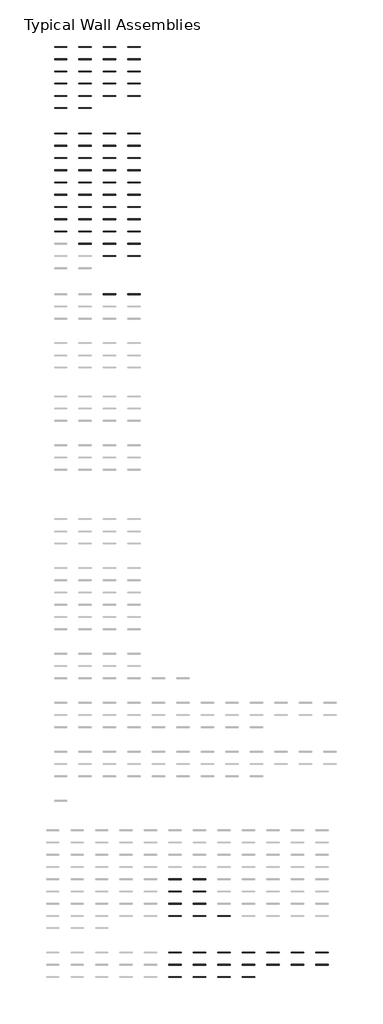
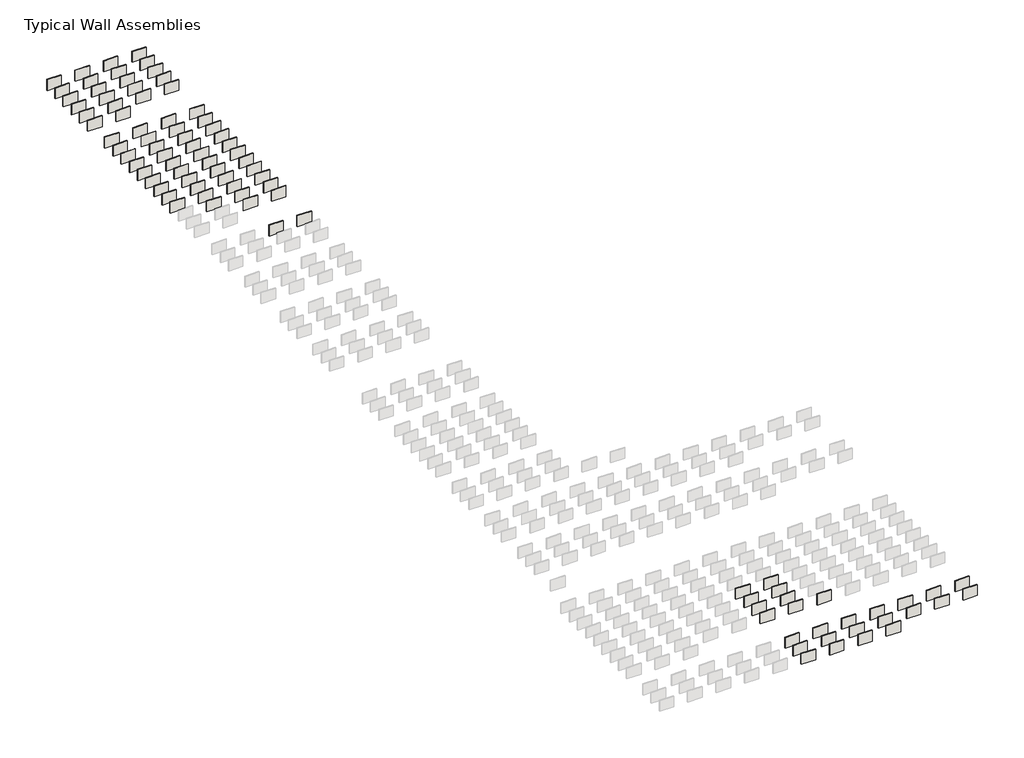
# One storey, part 3 of 8: 92 walls.
"""IFC4 building model written with IfcOpenShell, lengths in millimetres."""

from ifc_helpers import new_model, si_unit, frame, origin, place, context, project, spatial, polyline, outline, extrude, element, save

model = new_model("IFC4")

# Units and contexts
model_context = context("Model", 3, world=origin())
ifc_project = project(units=[si_unit("LENGTHUNIT", "METRE", prefix="MILLI")], contexts=[model_context])

# Site, building, storey
site = spatial("IfcSite", under=ifc_project)
building = spatial("IfcBuilding", under=site)
storey = spatial("IfcBuildingStorey", under=building, Name="Typical Wall Assemblies", Elevation=6096.0)

# Walls
placement = place(None, origin())
element("IfcWall", 1, at=placement, inside=storey, context=model_context, shape_type="SweptSolid", body=[
    extrude(outline(polyline([(-21027.125069, -1164.3091546), (-24075.125069, -1164.3091546), (-24075.125069, -986.5218505), (-21027.125069, -986.5218505), (-21027.125069, -1164.3091546)])), frame((0.0, 0.0, 6096.0), z_axis=(0.0, 0.0, 1.0), x_axis=(1.0, 0.0, 0.0)), (0.0, 0.0, 1.0), 2438.4),
])
element("IfcWall", 2, at=placement, inside=storey, context=model_context, shape_type="SweptSolid", body=[
    extrude(outline(polyline([(-21027.125069, -4212.3091546), (-24075.125069, -4212.3091546), (-24075.125069, -4034.5218505), (-21027.125069, -4034.5218505), (-21027.125069, -4212.3091546)])), frame((0.0, 0.0, 6096.0), z_axis=(0.0, 0.0, 1.0), x_axis=(1.0, 0.0, 0.0)), (0.0, 0.0, 1.0), 2438.4),
])
element("IfcWall", 3, at=placement, inside=storey, context=model_context, shape_type="SweptSolid", body=[
    extrude(outline(polyline([(-21027.125069, -7260.3091546), (-24075.125069, -7260.3091546), (-24075.125069, -7082.5218505), (-21027.125069, -7082.5218505), (-21027.125069, -7260.3091546)])), frame((0.0, 0.0, 6096.0), z_axis=(0.0, 0.0, 1.0), x_axis=(1.0, 0.0, 0.0)), (0.0, 0.0, 1.0), 2438.4),
])
element("IfcWall", 4, at=placement, inside=storey, context=model_context, shape_type="SweptSolid", body=[
    extrude(outline(polyline([(-14931.125069, -1164.3091546), (-17979.125069, -1164.3091546), (-17979.125069, -986.5218505), (-14931.125069, -986.5218505), (-14931.125069, -1164.3091546)])), frame((0.0, 0.0, 6096.0), z_axis=(0.0, 0.0, 1.0), x_axis=(1.0, 0.0, 0.0)), (0.0, 0.0, 1.0), 2438.4),
])
element("IfcWall", 5, at=placement, inside=storey, context=model_context, shape_type="SweptSolid", body=[
    extrude(outline(polyline([(-8835.125069, -1164.3091546), (-11883.125069, -1164.3091546), (-11883.125069, -986.5218505), (-8835.125069, -986.5218505), (-8835.125069, -1164.3091546)])), frame((0.0, 0.0, 6096.0), z_axis=(0.0, 0.0, 1.0), x_axis=(1.0, 0.0, 0.0)), (0.0, 0.0, 1.0), 2438.4),
])
element("IfcWall", 6, at=placement, inside=storey, context=model_context, shape_type="SweptSolid", body=[
    extrude(outline(polyline([(-2739.125069, -1164.3091546), (-5787.125069, -1164.3091546), (-5787.125069, -986.5218505), (-2739.125069, -986.5218505), (-2739.125069, -1164.3091546)])), frame((0.0, 0.0, 6096.0), z_axis=(0.0, 0.0, 1.0), x_axis=(1.0, 0.0, 0.0)), (0.0, 0.0, 1.0), 2438.4),
])
element("IfcWall", 7, at=placement, inside=storey, context=model_context, shape_type="SweptSolid", body=[
    extrude(outline(polyline([(-14931.125069, -4212.3091546), (-17979.125069, -4212.3091546), (-17979.125069, -4034.5218505), (-14931.125069, -4034.5218505), (-14931.125069, -4212.3091546)])), frame((0.0, 0.0, 6096.0), z_axis=(0.0, 0.0, 1.0), x_axis=(1.0, 0.0, 0.0)), (0.0, 0.0, 1.0), 2438.4),
])
element("IfcWall", 8, at=placement, inside=storey, context=model_context, shape_type="SweptSolid", body=[
    extrude(outline(polyline([(-8835.125069, -4212.3091546), (-11883.125069, -4212.3091546), (-11883.125069, -4034.5218505), (-8835.125069, -4034.5218505), (-8835.125069, -4212.3091546)])), frame((0.0, 0.0, 6096.0), z_axis=(0.0, 0.0, 1.0), x_axis=(1.0, 0.0, 0.0)), (0.0, 0.0, 1.0), 2438.4),
])
element("IfcWall", 9, at=placement, inside=storey, context=model_context, shape_type="SweptSolid", body=[
    extrude(outline(polyline([(-2739.125069, -4212.3091546), (-5787.125069, -4212.3091546), (-5787.125069, -4034.5218505), (-2739.125069, -4034.5218505), (-2739.125069, -4212.3091546)])), frame((0.0, 0.0, 6096.0), z_axis=(0.0, 0.0, 1.0), x_axis=(1.0, 0.0, 0.0)), (0.0, 0.0, 1.0), 2438.4),
])
element("IfcWall", 10, at=placement, inside=storey, context=model_context, shape_type="SweptSolid", body=[
    extrude(outline(polyline([(-14931.125069, -7260.3091546), (-17979.125069, -7260.3091546), (-17979.125069, -7082.5218505), (-14931.125069, -7082.5218505), (-14931.125069, -7260.3091546)])), frame((0.0, 0.0, 6096.0), z_axis=(0.0, 0.0, 1.0), x_axis=(1.0, 0.0, 0.0)), (0.0, 0.0, 1.0), 2438.4),
])
element("IfcWall", 11, at=placement, inside=storey, context=model_context, shape_type="SweptSolid", body=[
    extrude(outline(polyline([(-8835.125069, -7260.3091546), (-11883.125069, -7260.3091546), (-11883.125069, -7082.5218505), (-8835.125069, -7082.5218505), (-8835.125069, -7260.3091546)])), frame((0.0, 0.0, 6096.0), z_axis=(0.0, 0.0, 1.0), x_axis=(1.0, 0.0, 0.0)), (0.0, 0.0, 1.0), 2438.4),
])
element("IfcWall", 12, at=placement, inside=storey, context=model_context, shape_type="SweptSolid", body=[
    extrude(outline(polyline([(-2739.125069, -7260.3091546), (-5787.125069, -7260.3091546), (-5787.125069, -7082.5218505), (-2739.125069, -7082.5218505), (-2739.125069, -7260.3091546)])), frame((0.0, 0.0, 6096.0), z_axis=(0.0, 0.0, 1.0), x_axis=(1.0, 0.0, 0.0)), (0.0, 0.0, 1.0), 2438.4),
])
element("IfcWall", 13, at=placement, inside=storey, context=model_context, shape_type="SweptSolid", body=[
    extrude(outline(polyline([(-21027.125069, -10308.3091546), (-24075.125069, -10308.3091546), (-24075.125069, -10130.5218505), (-21027.125069, -10130.5218505), (-21027.125069, -10308.3091546)])), frame((0.0, 0.0, 6096.0), z_axis=(0.0, 0.0, 1.0), x_axis=(1.0, 0.0, 0.0)), (0.0, 0.0, 1.0), 2438.4),
])
element("IfcWall", 14, at=placement, inside=storey, context=model_context, shape_type="SweptSolid", body=[
    extrude(outline(polyline([(-21027.125069, -13356.3091546), (-24075.125069, -13356.3091546), (-24075.125069, -13178.5218505), (-21027.125069, -13178.5218505), (-21027.125069, -13356.3091546)])), frame((0.0, 0.0, 6096.0), z_axis=(0.0, 0.0, 1.0), x_axis=(1.0, 0.0, 0.0)), (0.0, 0.0, 1.0), 2438.4),
])
element("IfcWall", 15, at=placement, inside=storey, context=model_context, shape_type="SweptSolid", body=[
    extrude(outline(polyline([(-21027.125069, -16404.3091546), (-24075.125069, -16404.3091546), (-24075.125069, -16226.5218505), (-21027.125069, -16226.5218505), (-21027.125069, -16404.3091546)])), frame((0.0, 0.0, 6096.0), z_axis=(0.0, 0.0, 1.0), x_axis=(1.0, 0.0, 0.0)), (0.0, 0.0, 1.0), 2438.4),
])
element("IfcWall", 16, at=placement, inside=storey, context=model_context, shape_type="SweptSolid", body=[
    extrude(outline(polyline([(-14931.125069, -10308.3091546), (-17979.125069, -10308.3091546), (-17979.125069, -10130.5218505), (-14931.125069, -10130.5218505), (-14931.125069, -10308.3091546)])), frame((0.0, 0.0, 6096.0), z_axis=(0.0, 0.0, 1.0), x_axis=(1.0, 0.0, 0.0)), (0.0, 0.0, 1.0), 2438.4),
])
element("IfcWall", 17, at=placement, inside=storey, context=model_context, shape_type="SweptSolid", body=[
    extrude(outline(polyline([(-8835.125069, -10308.3091546), (-11883.125069, -10308.3091546), (-11883.125069, -10130.5218505), (-8835.125069, -10130.5218505), (-8835.125069, -10308.3091546)])), frame((0.0, 0.0, 6096.0), z_axis=(0.0, 0.0, 1.0), x_axis=(1.0, 0.0, 0.0)), (0.0, 0.0, 1.0), 2438.4),
])
element("IfcWall", 18, at=placement, inside=storey, context=model_context, shape_type="SweptSolid", body=[
    extrude(outline(polyline([(-2739.125069, -10308.3091546), (-5787.125069, -10308.3091546), (-5787.125069, -10130.5218505), (-2739.125069, -10130.5218505), (-2739.125069, -10308.3091546)])), frame((0.0, 0.0, 6096.0), z_axis=(0.0, 0.0, 1.0), x_axis=(1.0, 0.0, 0.0)), (0.0, 0.0, 1.0), 2438.4),
])
element("IfcWall", 19, at=placement, inside=storey, context=model_context, shape_type="SweptSolid", body=[
    extrude(outline(polyline([(-14931.125069, -13356.3091546), (-17979.125069, -13356.3091546), (-17979.125069, -13178.5218505), (-14931.125069, -13178.5218505), (-14931.125069, -13356.3091546)])), frame((0.0, 0.0, 6096.0), z_axis=(0.0, 0.0, 1.0), x_axis=(1.0, 0.0, 0.0)), (0.0, 0.0, 1.0), 2438.4),
])
element("IfcWall", 20, at=placement, inside=storey, context=model_context, shape_type="SweptSolid", body=[
    extrude(outline(polyline([(-8835.125069, -13356.3091546), (-11883.125069, -13356.3091546), (-11883.125069, -13178.5218505), (-8835.125069, -13178.5218505), (-8835.125069, -13356.3091546)])), frame((0.0, 0.0, 6096.0), z_axis=(0.0, 0.0, 1.0), x_axis=(1.0, 0.0, 0.0)), (0.0, 0.0, 1.0), 2438.4),
])
element("IfcWall", 21, at=placement, inside=storey, context=model_context, shape_type="SweptSolid", body=[
    extrude(outline(polyline([(-2739.125069, -13356.3091546), (-5787.125069, -13356.3091546), (-5787.125069, -13178.5218505), (-2739.125069, -13178.5218505), (-2739.125069, -13356.3091546)])), frame((0.0, 0.0, 6096.0), z_axis=(0.0, 0.0, 1.0), x_axis=(1.0, 0.0, 0.0)), (0.0, 0.0, 1.0), 2438.4),
])
element("IfcWall", 22, at=placement, inside=storey, context=model_context, shape_type="SweptSolid", body=[
    extrude(outline(polyline([(-14931.125069, -16404.3091546), (-17979.125069, -16404.3091546), (-17979.125069, -16226.5218505), (-14931.125069, -16226.5218505), (-14931.125069, -16404.3091546)])), frame((0.0, 0.0, 6096.0), z_axis=(0.0, 0.0, 1.0), x_axis=(1.0, 0.0, 0.0)), (0.0, 0.0, 1.0), 2438.4),
])
element("IfcWall", 23, at=placement, inside=storey, context=model_context, shape_type="SweptSolid", body=[
    extrude(outline(polyline([(-8835.125069, -62733.9091546), (-11883.125069, -62733.9091546), (-11883.125069, -62556.1218505), (-8835.125069, -62556.1218505), (-8835.125069, -62733.9091546)])), frame((0.0, 0.0, 6096.0), z_axis=(0.0, 0.0, 1.0), x_axis=(1.0, 0.0, 0.0)), (0.0, 0.0, 1.0), 2438.4),
])
element("IfcWall", 24, at=placement, inside=storey, context=model_context, shape_type="SweptSolid", body=[
    extrude(outline(polyline([(-2739.125069, -62733.9091546), (-5787.125069, -62733.9091546), (-5787.125069, -62556.1218505), (-2739.125069, -62556.1218505), (-2739.125069, -62733.9091546)])), frame((0.0, 0.0, 6096.0), z_axis=(0.0, 0.0, 1.0), x_axis=(1.0, 0.0, 0.0)), (0.0, 0.0, 1.0), 2438.4),
])
element("IfcWall", 25, at=placement, inside=storey, context=model_context, shape_type="SweptSolid", body=[
    extrude(outline(polyline([(7471.674931, -208403.6362056), (4423.674931, -208403.6362056), (4423.674931, -208217.8987021), (7471.674931, -208217.8987021), (7471.674931, -208403.6362056)])), frame((0.0, 0.0, 6096.0), z_axis=(0.0, 0.0, 1.0), x_axis=(1.0, 0.0, 0.0)), (0.0, 0.0, 1.0), 2438.4),
])
element("IfcWall", 26, at=placement, inside=storey, context=model_context, shape_type="SweptSolid", body=[
    extrude(outline(polyline([(13567.674931, -208403.6362056), (10519.674931, -208403.6362056), (10519.674931, -208217.8987021), (13567.674931, -208217.8987021), (13567.674931, -208403.6362056)])), frame((0.0, 0.0, 6096.0), z_axis=(0.0, 0.0, 1.0), x_axis=(1.0, 0.0, 0.0)), (0.0, 0.0, 1.0), 2438.4),
])
element("IfcWall", 27, at=placement, inside=storey, context=model_context, shape_type="SweptSolid", body=[
    extrude(outline(polyline([(7471.674931, -211451.6362056), (4423.674931, -211451.6362056), (4423.674931, -211265.8987021), (7471.674931, -211265.8987021), (7471.674931, -211451.6362056)])), frame((0.0, 0.0, 6096.0), z_axis=(0.0, 0.0, 1.0), x_axis=(1.0, 0.0, 0.0)), (0.0, 0.0, 1.0), 2438.4),
])
element("IfcWall", 28, at=placement, inside=storey, context=model_context, shape_type="SweptSolid", body=[
    extrude(outline(polyline([(13567.674931, -211451.6362056), (10519.674931, -211451.6362056), (10519.674931, -211265.8987021), (13567.674931, -211265.8987021), (13567.674931, -211451.6362056)])), frame((0.0, 0.0, 6096.0), z_axis=(0.0, 0.0, 1.0), x_axis=(1.0, 0.0, 0.0)), (0.0, 0.0, 1.0), 2438.4),
])
element("IfcWall", 29, at=placement, inside=storey, context=model_context, shape_type="SweptSolid", body=[
    extrude(outline(polyline([(7471.674931, -214499.6362056), (4423.674931, -214499.6362056), (4423.674931, -214313.8987021), (7471.674931, -214313.8987021), (7471.674931, -214499.6362056)])), frame((0.0, 0.0, 6096.0), z_axis=(0.0, 0.0, 1.0), x_axis=(1.0, 0.0, 0.0)), (0.0, 0.0, 1.0), 2438.4),
])
element("IfcWall", 30, at=placement, inside=storey, context=model_context, shape_type="SweptSolid", body=[
    extrude(outline(polyline([(13567.674931, -214499.6362056), (10519.674931, -214499.6362056), (10519.674931, -214313.8987021), (13567.674931, -214313.8987021), (13567.674931, -214499.6362056)])), frame((0.0, 0.0, 6096.0), z_axis=(0.0, 0.0, 1.0), x_axis=(1.0, 0.0, 0.0)), (0.0, 0.0, 1.0), 2438.4),
])
element("IfcWall", 31, at=placement, inside=storey, context=model_context, shape_type="SweptSolid", body=[
    extrude(outline(polyline([(7471.674931, -217547.6362056), (4423.674931, -217547.6362056), (4423.674931, -217361.8987021), (7471.674931, -217361.8987021), (7471.674931, -217547.6362056)])), frame((0.0, 0.0, 6096.0), z_axis=(0.0, 0.0, 1.0), x_axis=(1.0, 0.0, 0.0)), (0.0, 0.0, 1.0), 2438.4),
])
element("IfcWall", 32, at=placement, inside=storey, context=model_context, shape_type="SweptSolid", body=[
    extrude(outline(polyline([(13567.674931, -217547.6362056), (10519.674931, -217547.6362056), (10519.674931, -217361.8987021), (13567.674931, -217361.8987021), (13567.674931, -217547.6362056)])), frame((0.0, 0.0, 6096.0), z_axis=(0.0, 0.0, 1.0), x_axis=(1.0, 0.0, 0.0)), (0.0, 0.0, 1.0), 2438.4),
])
element("IfcWall", 33, at=placement, inside=storey, context=model_context, shape_type="SweptSolid", body=[
    extrude(outline(polyline([(19663.674931, -217547.6362056), (16615.674931, -217547.6362056), (16615.674931, -217361.8987021), (19663.674931, -217361.8987021), (19663.674931, -217547.6362056)])), frame((0.0, 0.0, 6096.0), z_axis=(0.0, 0.0, 1.0), x_axis=(1.0, 0.0, 0.0)), (0.0, 0.0, 1.0), 2438.4),
])
element("IfcWall", 34, at=placement, inside=storey, context=model_context, shape_type="SweptSolid", body=[
    extrude(outline(polyline([(7471.674931, -226691.6362056), (4423.674931, -226691.6362056), (4423.674931, -226505.8987021), (7471.674931, -226505.8987021), (7471.674931, -226691.6362056)])), frame((0.0, 0.0, 6096.0), z_axis=(0.0, 0.0, 1.0), x_axis=(1.0, 0.0, 0.0)), (0.0, 0.0, 1.0), 2438.4),
])
element("IfcWall", 35, at=placement, inside=storey, context=model_context, shape_type="SweptSolid", body=[
    extrude(outline(polyline([(13567.674931, -226691.6362056), (10519.674931, -226691.6362056), (10519.674931, -226505.8987021), (13567.674931, -226505.8987021), (13567.674931, -226691.6362056)])), frame((0.0, 0.0, 6096.0), z_axis=(0.0, 0.0, 1.0), x_axis=(1.0, 0.0, 0.0)), (0.0, 0.0, 1.0), 2438.4),
])
element("IfcWall", 36, at=placement, inside=storey, context=model_context, shape_type="SweptSolid", body=[
    extrude(outline(polyline([(19663.674931, -226691.6362056), (16615.674931, -226691.6362056), (16615.674931, -226505.8987021), (19663.674931, -226505.8987021), (19663.674931, -226691.6362056)])), frame((0.0, 0.0, 6096.0), z_axis=(0.0, 0.0, 1.0), x_axis=(1.0, 0.0, 0.0)), (0.0, 0.0, 1.0), 2438.4),
])
element("IfcWall", 37, at=placement, inside=storey, context=model_context, shape_type="SweptSolid", body=[
    extrude(outline(polyline([(25759.674931, -226691.6362056), (22711.674931, -226691.6362056), (22711.674931, -226505.8987021), (25759.674931, -226505.8987021), (25759.674931, -226691.6362056)])), frame((0.0, 0.0, 6096.0), z_axis=(0.0, 0.0, 1.0), x_axis=(1.0, 0.0, 0.0)), (0.0, 0.0, 1.0), 2438.4),
])
element("IfcWall", 38, at=placement, inside=storey, context=model_context, shape_type="SweptSolid", body=[
    extrude(outline(polyline([(31855.674931, -226691.6362056), (28807.674931, -226691.6362056), (28807.674931, -226505.8987021), (31855.674931, -226505.8987021), (31855.674931, -226691.6362056)])), frame((0.0, 0.0, 6096.0), z_axis=(0.0, 0.0, 1.0), x_axis=(1.0, 0.0, 0.0)), (0.0, 0.0, 1.0), 2438.4),
])
element("IfcWall", 39, at=placement, inside=storey, context=model_context, shape_type="SweptSolid", body=[
    extrude(outline(polyline([(37951.674931, -226691.6362056), (34903.674931, -226691.6362056), (34903.674931, -226505.8987021), (37951.674931, -226505.8987021), (37951.674931, -226691.6362056)])), frame((0.0, 0.0, 6096.0), z_axis=(0.0, 0.0, 1.0), x_axis=(1.0, 0.0, 0.0)), (0.0, 0.0, 1.0), 2438.4),
])
element("IfcWall", 40, at=placement, inside=storey, context=model_context, shape_type="SweptSolid", body=[
    extrude(outline(polyline([(44047.674931, -226691.6362056), (40999.674931, -226691.6362056), (40999.674931, -226505.8987021), (44047.674931, -226505.8987021), (44047.674931, -226691.6362056)])), frame((0.0, 0.0, 6096.0), z_axis=(0.0, 0.0, 1.0), x_axis=(1.0, 0.0, 0.0)), (0.0, 0.0, 1.0), 2438.4),
])
element("IfcWall", 41, at=placement, inside=storey, context=model_context, shape_type="SweptSolid", body=[
    extrude(outline(polyline([(7471.674931, -229739.6362056), (4423.674931, -229739.6362056), (4423.674931, -229553.8987021), (7471.674931, -229553.8987021), (7471.674931, -229739.6362056)])), frame((0.0, 0.0, 6096.0), z_axis=(0.0, 0.0, 1.0), x_axis=(1.0, 0.0, 0.0)), (0.0, 0.0, 1.0), 2438.4),
])
element("IfcWall", 42, at=placement, inside=storey, context=model_context, shape_type="SweptSolid", body=[
    extrude(outline(polyline([(13567.674931, -229739.6362056), (10519.674931, -229739.6362056), (10519.674931, -229553.8987021), (13567.674931, -229553.8987021), (13567.674931, -229739.6362056)])), frame((0.0, 0.0, 6096.0), z_axis=(0.0, 0.0, 1.0), x_axis=(1.0, 0.0, 0.0)), (0.0, 0.0, 1.0), 2438.4),
])
element("IfcWall", 43, at=placement, inside=storey, context=model_context, shape_type="SweptSolid", body=[
    extrude(outline(polyline([(19663.674931, -229739.6362056), (16615.674931, -229739.6362056), (16615.674931, -229553.8987021), (19663.674931, -229553.8987021), (19663.674931, -229739.6362056)])), frame((0.0, 0.0, 6096.0), z_axis=(0.0, 0.0, 1.0), x_axis=(1.0, 0.0, 0.0)), (0.0, 0.0, 1.0), 2438.4),
])
element("IfcWall", 44, at=placement, inside=storey, context=model_context, shape_type="SweptSolid", body=[
    extrude(outline(polyline([(25759.674931, -229739.6362056), (22711.674931, -229739.6362056), (22711.674931, -229553.8987021), (25759.674931, -229553.8987021), (25759.674931, -229739.6362056)])), frame((0.0, 0.0, 6096.0), z_axis=(0.0, 0.0, 1.0), x_axis=(1.0, 0.0, 0.0)), (0.0, 0.0, 1.0), 2438.4),
])
element("IfcWall", 45, at=placement, inside=storey, context=model_context, shape_type="SweptSolid", body=[
    extrude(outline(polyline([(31855.674931, -229739.6362056), (28807.674931, -229739.6362056), (28807.674931, -229553.8987021), (31855.674931, -229553.8987021), (31855.674931, -229739.6362056)])), frame((0.0, 0.0, 6096.0), z_axis=(0.0, 0.0, 1.0), x_axis=(1.0, 0.0, 0.0)), (0.0, 0.0, 1.0), 2438.4),
])
element("IfcWall", 46, at=placement, inside=storey, context=model_context, shape_type="SweptSolid", body=[
    extrude(outline(polyline([(37951.674931, -229739.6362056), (34903.674931, -229739.6362056), (34903.674931, -229553.8987021), (37951.674931, -229553.8987021), (37951.674931, -229739.6362056)])), frame((0.0, 0.0, 6096.0), z_axis=(0.0, 0.0, 1.0), x_axis=(1.0, 0.0, 0.0)), (0.0, 0.0, 1.0), 2438.4),
])
element("IfcWall", 47, at=placement, inside=storey, context=model_context, shape_type="SweptSolid", body=[
    extrude(outline(polyline([(44047.674931, -229739.6362056), (40999.674931, -229739.6362056), (40999.674931, -229553.8987021), (44047.674931, -229553.8987021), (44047.674931, -229739.6362056)])), frame((0.0, 0.0, 6096.0), z_axis=(0.0, 0.0, 1.0), x_axis=(1.0, 0.0, 0.0)), (0.0, 0.0, 1.0), 2438.4),
])
element("IfcWall", 48, at=placement, inside=storey, context=model_context, shape_type="SweptSolid", body=[
    extrude(outline(polyline([(7471.674931, -232787.6362056), (4423.674931, -232787.6362056), (4423.674931, -232601.8987021), (7471.674931, -232601.8987021), (7471.674931, -232787.6362056)])), frame((0.0, 0.0, 6096.0), z_axis=(0.0, 0.0, 1.0), x_axis=(1.0, 0.0, 0.0)), (0.0, 0.0, 1.0), 2438.4),
])
element("IfcWall", 49, at=placement, inside=storey, context=model_context, shape_type="SweptSolid", body=[
    extrude(outline(polyline([(13567.674931, -232787.6362056), (10519.674931, -232787.6362056), (10519.674931, -232601.8987021), (13567.674931, -232601.8987021), (13567.674931, -232787.6362056)])), frame((0.0, 0.0, 6096.0), z_axis=(0.0, 0.0, 1.0), x_axis=(1.0, 0.0, 0.0)), (0.0, 0.0, 1.0), 2438.4),
])
element("IfcWall", 50, at=placement, inside=storey, context=model_context, shape_type="SweptSolid", body=[
    extrude(outline(polyline([(19663.674931, -232787.6362056), (16615.674931, -232787.6362056), (16615.674931, -232601.8987021), (19663.674931, -232601.8987021), (19663.674931, -232787.6362056)])), frame((0.0, 0.0, 6096.0), z_axis=(0.0, 0.0, 1.0), x_axis=(1.0, 0.0, 0.0)), (0.0, 0.0, 1.0), 2438.4),
])
element("IfcWall", 51, at=placement, inside=storey, context=model_context, shape_type="SweptSolid", body=[
    extrude(outline(polyline([(25759.674931, -232787.6362056), (22711.674931, -232787.6362056), (22711.674931, -232601.8987021), (25759.674931, -232601.8987021), (25759.674931, -232787.6362056)])), frame((0.0, 0.0, 6096.0), z_axis=(0.0, 0.0, 1.0), x_axis=(1.0, 0.0, 0.0)), (0.0, 0.0, 1.0), 2438.4),
])
element("IfcWall", 52, at=placement, inside=storey, context=model_context, shape_type="SweptSolid", body=[
    extrude(outline(polyline([(-21027.125069, -22743.446361), (-24075.125069, -22743.446361), (-24075.125069, -22565.6590569), (-21027.125069, -22565.6590569), (-21027.125069, -22743.446361)])), frame((0.0, 0.0, 6096.0), z_axis=(0.0, 0.0, 1.0), x_axis=(1.0, 0.0, 0.0)), (0.0, 0.0, 1.0), 2438.4),
])
element("IfcWall", 53, at=placement, inside=storey, context=model_context, shape_type="SweptSolid", body=[
    extrude(outline(polyline([(-14931.125069, -22743.446361), (-17979.125069, -22743.446361), (-17979.125069, -22565.6590569), (-14931.125069, -22565.6590569), (-14931.125069, -22743.446361)])), frame((0.0, 0.0, 6096.0), z_axis=(0.0, 0.0, 1.0), x_axis=(1.0, 0.0, 0.0)), (0.0, 0.0, 1.0), 2438.4),
])
element("IfcWall", 54, at=placement, inside=storey, context=model_context, shape_type="SweptSolid", body=[
    extrude(outline(polyline([(-8835.125069, -22743.446361), (-11883.125069, -22743.446361), (-11883.125069, -22565.6590569), (-8835.125069, -22565.6590569), (-8835.125069, -22743.446361)])), frame((0.0, 0.0, 6096.0), z_axis=(0.0, 0.0, 1.0), x_axis=(1.0, 0.0, 0.0)), (0.0, 0.0, 1.0), 2438.4),
])
element("IfcWall", 55, at=placement, inside=storey, context=model_context, shape_type="SweptSolid", body=[
    extrude(outline(polyline([(-2739.125069, -22743.446361), (-5787.125069, -22743.446361), (-5787.125069, -22565.6590569), (-2739.125069, -22565.6590569), (-2739.125069, -22743.446361)])), frame((0.0, 0.0, 6096.0), z_axis=(0.0, 0.0, 1.0), x_axis=(1.0, 0.0, 0.0)), (0.0, 0.0, 1.0), 2438.4),
])
element("IfcWall", 56, at=placement, inside=storey, context=model_context, shape_type="SweptSolid", body=[
    extrude(outline(polyline([(-21027.125069, -25791.446361), (-24075.125069, -25791.446361), (-24075.125069, -25613.6590569), (-21027.125069, -25613.6590569), (-21027.125069, -25791.446361)])), frame((0.0, 0.0, 6096.0), z_axis=(0.0, 0.0, 1.0), x_axis=(1.0, 0.0, 0.0)), (0.0, 0.0, 1.0), 2438.4),
])
element("IfcWall", 57, at=placement, inside=storey, context=model_context, shape_type="SweptSolid", body=[
    extrude(outline(polyline([(-21027.125069, -28839.446361), (-24075.125069, -28839.446361), (-24075.125069, -28661.6590569), (-21027.125069, -28661.6590569), (-21027.125069, -28839.446361)])), frame((0.0, 0.0, 6096.0), z_axis=(0.0, 0.0, 1.0), x_axis=(1.0, 0.0, 0.0)), (0.0, 0.0, 1.0), 2438.4),
])
element("IfcWall", 58, at=placement, inside=storey, context=model_context, shape_type="SweptSolid", body=[
    extrude(outline(polyline([(-21027.125069, -31887.446361), (-24075.125069, -31887.446361), (-24075.125069, -31709.6590569), (-21027.125069, -31709.6590569), (-21027.125069, -31887.446361)])), frame((0.0, 0.0, 6096.0), z_axis=(0.0, 0.0, 1.0), x_axis=(1.0, 0.0, 0.0)), (0.0, 0.0, 1.0), 2438.4),
])
element("IfcWall", 59, at=placement, inside=storey, context=model_context, shape_type="SweptSolid", body=[
    extrude(outline(polyline([(-21027.125069, -34935.446361), (-24075.125069, -34935.446361), (-24075.125069, -34757.6590569), (-21027.125069, -34757.6590569), (-21027.125069, -34935.446361)])), frame((0.0, 0.0, 6096.0), z_axis=(0.0, 0.0, 1.0), x_axis=(1.0, 0.0, 0.0)), (0.0, 0.0, 1.0), 2438.4),
])
element("IfcWall", 60, at=placement, inside=storey, context=model_context, shape_type="SweptSolid", body=[
    extrude(outline(polyline([(-14931.125069, -25791.446361), (-17979.125069, -25791.446361), (-17979.125069, -25613.6590569), (-14931.125069, -25613.6590569), (-14931.125069, -25791.446361)])), frame((0.0, 0.0, 6096.0), z_axis=(0.0, 0.0, 1.0), x_axis=(1.0, 0.0, 0.0)), (0.0, 0.0, 1.0), 2438.4),
])
element("IfcWall", 61, at=placement, inside=storey, context=model_context, shape_type="SweptSolid", body=[
    extrude(outline(polyline([(-8835.125069, -25791.446361), (-11883.125069, -25791.446361), (-11883.125069, -25613.6590569), (-8835.125069, -25613.6590569), (-8835.125069, -25791.446361)])), frame((0.0, 0.0, 6096.0), z_axis=(0.0, 0.0, 1.0), x_axis=(1.0, 0.0, 0.0)), (0.0, 0.0, 1.0), 2438.4),
])
element("IfcWall", 62, at=placement, inside=storey, context=model_context, shape_type="SweptSolid", body=[
    extrude(outline(polyline([(-2739.125069, -25791.446361), (-5787.125069, -25791.446361), (-5787.125069, -25613.6590569), (-2739.125069, -25613.6590569), (-2739.125069, -25791.446361)])), frame((0.0, 0.0, 6096.0), z_axis=(0.0, 0.0, 1.0), x_axis=(1.0, 0.0, 0.0)), (0.0, 0.0, 1.0), 2438.4),
])
element("IfcWall", 63, at=placement, inside=storey, context=model_context, shape_type="SweptSolid", body=[
    extrude(outline(polyline([(-14931.125069, -28839.446361), (-17979.125069, -28839.446361), (-17979.125069, -28661.6590569), (-14931.125069, -28661.6590569), (-14931.125069, -28839.446361)])), frame((0.0, 0.0, 6096.0), z_axis=(0.0, 0.0, 1.0), x_axis=(1.0, 0.0, 0.0)), (0.0, 0.0, 1.0), 2438.4),
])
element("IfcWall", 64, at=placement, inside=storey, context=model_context, shape_type="SweptSolid", body=[
    extrude(outline(polyline([(-8835.125069, -28839.446361), (-11883.125069, -28839.446361), (-11883.125069, -28661.6590569), (-8835.125069, -28661.6590569), (-8835.125069, -28839.446361)])), frame((0.0, 0.0, 6096.0), z_axis=(0.0, 0.0, 1.0), x_axis=(1.0, 0.0, 0.0)), (0.0, 0.0, 1.0), 2438.4),
])
element("IfcWall", 65, at=placement, inside=storey, context=model_context, shape_type="SweptSolid", body=[
    extrude(outline(polyline([(-2739.125069, -28839.446361), (-5787.125069, -28839.446361), (-5787.125069, -28661.6590569), (-2739.125069, -28661.6590569), (-2739.125069, -28839.446361)])), frame((0.0, 0.0, 6096.0), z_axis=(0.0, 0.0, 1.0), x_axis=(1.0, 0.0, 0.0)), (0.0, 0.0, 1.0), 2438.4),
])
element("IfcWall", 66, at=placement, inside=storey, context=model_context, shape_type="SweptSolid", body=[
    extrude(outline(polyline([(-14931.125069, -31887.446361), (-17979.125069, -31887.446361), (-17979.125069, -31709.6590569), (-14931.125069, -31709.6590569), (-14931.125069, -31887.446361)])), frame((0.0, 0.0, 6096.0), z_axis=(0.0, 0.0, 1.0), x_axis=(1.0, 0.0, 0.0)), (0.0, 0.0, 1.0), 2438.4),
])
element("IfcWall", 67, at=placement, inside=storey, context=model_context, shape_type="SweptSolid", body=[
    extrude(outline(polyline([(-8835.125069, -31887.446361), (-11883.125069, -31887.446361), (-11883.125069, -31709.6590569), (-8835.125069, -31709.6590569), (-8835.125069, -31887.446361)])), frame((0.0, 0.0, 6096.0), z_axis=(0.0, 0.0, 1.0), x_axis=(1.0, 0.0, 0.0)), (0.0, 0.0, 1.0), 2438.4),
])
element("IfcWall", 68, at=placement, inside=storey, context=model_context, shape_type="SweptSolid", body=[
    extrude(outline(polyline([(-2739.125069, -31887.446361), (-5787.125069, -31887.446361), (-5787.125069, -31709.6590569), (-2739.125069, -31709.6590569), (-2739.125069, -31887.446361)])), frame((0.0, 0.0, 6096.0), z_axis=(0.0, 0.0, 1.0), x_axis=(1.0, 0.0, 0.0)), (0.0, 0.0, 1.0), 2438.4),
])
element("IfcWall", 69, at=placement, inside=storey, context=model_context, shape_type="SweptSolid", body=[
    extrude(outline(polyline([(-14931.125069, -34935.446361), (-17979.125069, -34935.446361), (-17979.125069, -34757.6590569), (-14931.125069, -34757.6590569), (-14931.125069, -34935.446361)])), frame((0.0, 0.0, 6096.0), z_axis=(0.0, 0.0, 1.0), x_axis=(1.0, 0.0, 0.0)), (0.0, 0.0, 1.0), 2438.4),
])
element("IfcWall", 70, at=placement, inside=storey, context=model_context, shape_type="SweptSolid", body=[
    extrude(outline(polyline([(-8835.125069, -34935.446361), (-11883.125069, -34935.446361), (-11883.125069, -34757.6590569), (-8835.125069, -34757.6590569), (-8835.125069, -34935.446361)])), frame((0.0, 0.0, 6096.0), z_axis=(0.0, 0.0, 1.0), x_axis=(1.0, 0.0, 0.0)), (0.0, 0.0, 1.0), 2438.4),
])
element("IfcWall", 71, at=placement, inside=storey, context=model_context, shape_type="SweptSolid", body=[
    extrude(outline(polyline([(-2739.125069, -34935.446361), (-5787.125069, -34935.446361), (-5787.125069, -34757.6590569), (-2739.125069, -34757.6590569), (-2739.125069, -34935.446361)])), frame((0.0, 0.0, 6096.0), z_axis=(0.0, 0.0, 1.0), x_axis=(1.0, 0.0, 0.0)), (0.0, 0.0, 1.0), 2438.4),
])
element("IfcWall", 72, at=placement, inside=storey, context=model_context, shape_type="SweptSolid", body=[
    extrude(outline(polyline([(-21027.125069, -37983.446361), (-24075.125069, -37983.446361), (-24075.125069, -37805.6590569), (-21027.125069, -37805.6590569), (-21027.125069, -37983.446361)])), frame((0.0, 0.0, 6096.0), z_axis=(0.0, 0.0, 1.0), x_axis=(1.0, 0.0, 0.0)), (0.0, 0.0, 1.0), 2438.4),
])
element("IfcWall", 73, at=placement, inside=storey, context=model_context, shape_type="SweptSolid", body=[
    extrude(outline(polyline([(-21027.125069, -41031.446361), (-24075.125069, -41031.446361), (-24075.125069, -40853.6590569), (-21027.125069, -40853.6590569), (-21027.125069, -41031.446361)])), frame((0.0, 0.0, 6096.0), z_axis=(0.0, 0.0, 1.0), x_axis=(1.0, 0.0, 0.0)), (0.0, 0.0, 1.0), 2438.4),
])
element("IfcWall", 74, at=placement, inside=storey, context=model_context, shape_type="SweptSolid", body=[
    extrude(outline(polyline([(-21027.125069, -44079.446361), (-24075.125069, -44079.446361), (-24075.125069, -43901.6590569), (-21027.125069, -43901.6590569), (-21027.125069, -44079.446361)])), frame((0.0, 0.0, 6096.0), z_axis=(0.0, 0.0, 1.0), x_axis=(1.0, 0.0, 0.0)), (0.0, 0.0, 1.0), 2438.4),
])
element("IfcWall", 75, at=placement, inside=storey, context=model_context, shape_type="SweptSolid", body=[
    extrude(outline(polyline([(-21027.125069, -47127.446361), (-24075.125069, -47127.446361), (-24075.125069, -46949.6590569), (-21027.125069, -46949.6590569), (-21027.125069, -47127.446361)])), frame((0.0, 0.0, 6096.0), z_axis=(0.0, 0.0, 1.0), x_axis=(1.0, 0.0, 0.0)), (0.0, 0.0, 1.0), 2438.4),
])
element("IfcWall", 76, at=placement, inside=storey, context=model_context, shape_type="SweptSolid", body=[
    extrude(outline(polyline([(-14931.125069, -37983.446361), (-17979.125069, -37983.446361), (-17979.125069, -37805.6590569), (-14931.125069, -37805.6590569), (-14931.125069, -37983.446361)])), frame((0.0, 0.0, 6096.0), z_axis=(0.0, 0.0, 1.0), x_axis=(1.0, 0.0, 0.0)), (0.0, 0.0, 1.0), 2438.4),
])
element("IfcWall", 77, at=placement, inside=storey, context=model_context, shape_type="SweptSolid", body=[
    extrude(outline(polyline([(-8835.125069, -37983.446361), (-11883.125069, -37983.446361), (-11883.125069, -37805.6590569), (-8835.125069, -37805.6590569), (-8835.125069, -37983.446361)])), frame((0.0, 0.0, 6096.0), z_axis=(0.0, 0.0, 1.0), x_axis=(1.0, 0.0, 0.0)), (0.0, 0.0, 1.0), 2438.4),
])
element("IfcWall", 78, at=placement, inside=storey, context=model_context, shape_type="SweptSolid", body=[
    extrude(outline(polyline([(-2739.125069, -37983.446361), (-5787.125069, -37983.446361), (-5787.125069, -37805.6590569), (-2739.125069, -37805.6590569), (-2739.125069, -37983.446361)])), frame((0.0, 0.0, 6096.0), z_axis=(0.0, 0.0, 1.0), x_axis=(1.0, 0.0, 0.0)), (0.0, 0.0, 1.0), 2438.4),
])
element("IfcWall", 79, at=placement, inside=storey, context=model_context, shape_type="SweptSolid", body=[
    extrude(outline(polyline([(-14931.125069, -41031.446361), (-17979.125069, -41031.446361), (-17979.125069, -40853.6590569), (-14931.125069, -40853.6590569), (-14931.125069, -41031.446361)])), frame((0.0, 0.0, 6096.0), z_axis=(0.0, 0.0, 1.0), x_axis=(1.0, 0.0, 0.0)), (0.0, 0.0, 1.0), 2438.4),
])
element("IfcWall", 80, at=placement, inside=storey, context=model_context, shape_type="SweptSolid", body=[
    extrude(outline(polyline([(-8835.125069, -41031.446361), (-11883.125069, -41031.446361), (-11883.125069, -40853.6590569), (-8835.125069, -40853.6590569), (-8835.125069, -41031.446361)])), frame((0.0, 0.0, 6096.0), z_axis=(0.0, 0.0, 1.0), x_axis=(1.0, 0.0, 0.0)), (0.0, 0.0, 1.0), 2438.4),
])
element("IfcWall", 81, at=placement, inside=storey, context=model_context, shape_type="SweptSolid", body=[
    extrude(outline(polyline([(-2739.125069, -41031.446361), (-5787.125069, -41031.446361), (-5787.125069, -40853.6590569), (-2739.125069, -40853.6590569), (-2739.125069, -41031.446361)])), frame((0.0, 0.0, 6096.0), z_axis=(0.0, 0.0, 1.0), x_axis=(1.0, 0.0, 0.0)), (0.0, 0.0, 1.0), 2438.4),
])
element("IfcWall", 82, at=placement, inside=storey, context=model_context, shape_type="SweptSolid", body=[
    extrude(outline(polyline([(-14931.125069, -44079.446361), (-17979.125069, -44079.446361), (-17979.125069, -43901.6590569), (-14931.125069, -43901.6590569), (-14931.125069, -44079.446361)])), frame((0.0, 0.0, 6096.0), z_axis=(0.0, 0.0, 1.0), x_axis=(1.0, 0.0, 0.0)), (0.0, 0.0, 1.0), 2438.4),
])
element("IfcWall", 83, at=placement, inside=storey, context=model_context, shape_type="SweptSolid", body=[
    extrude(outline(polyline([(-8835.125069, -44079.446361), (-11883.125069, -44079.446361), (-11883.125069, -43901.6590569), (-8835.125069, -43901.6590569), (-8835.125069, -44079.446361)])), frame((0.0, 0.0, 6096.0), z_axis=(0.0, 0.0, 1.0), x_axis=(1.0, 0.0, 0.0)), (0.0, 0.0, 1.0), 2438.4),
])
element("IfcWall", 84, at=placement, inside=storey, context=model_context, shape_type="SweptSolid", body=[
    extrude(outline(polyline([(-2739.125069, -44079.446361), (-5787.125069, -44079.446361), (-5787.125069, -43901.6590569), (-2739.125069, -43901.6590569), (-2739.125069, -44079.446361)])), frame((0.0, 0.0, 6096.0), z_axis=(0.0, 0.0, 1.0), x_axis=(1.0, 0.0, 0.0)), (0.0, 0.0, 1.0), 2438.4),
])
element("IfcWall", 85, at=placement, inside=storey, context=model_context, shape_type="SweptSolid", body=[
    extrude(outline(polyline([(-14931.125069, -47127.446361), (-17979.125069, -47127.446361), (-17979.125069, -46949.6590569), (-14931.125069, -46949.6590569), (-14931.125069, -47127.446361)])), frame((0.0, 0.0, 6096.0), z_axis=(0.0, 0.0, 1.0), x_axis=(1.0, 0.0, 0.0)), (0.0, 0.0, 1.0), 2438.4),
])
element("IfcWall", 86, at=placement, inside=storey, context=model_context, shape_type="SweptSolid", body=[
    extrude(outline(polyline([(-8835.125069, -47127.446361), (-11883.125069, -47127.446361), (-11883.125069, -46949.6590569), (-8835.125069, -46949.6590569), (-8835.125069, -47127.446361)])), frame((0.0, 0.0, 6096.0), z_axis=(0.0, 0.0, 1.0), x_axis=(1.0, 0.0, 0.0)), (0.0, 0.0, 1.0), 2438.4),
])
element("IfcWall", 87, at=placement, inside=storey, context=model_context, shape_type="SweptSolid", body=[
    extrude(outline(polyline([(-2739.125069, -47127.446361), (-5787.125069, -47127.446361), (-5787.125069, -46949.6590569), (-2739.125069, -46949.6590569), (-2739.125069, -47127.446361)])), frame((0.0, 0.0, 6096.0), z_axis=(0.0, 0.0, 1.0), x_axis=(1.0, 0.0, 0.0)), (0.0, 0.0, 1.0), 2438.4),
])
element("IfcWall", 88, at=placement, inside=storey, context=model_context, shape_type="SweptSolid", body=[
    extrude(outline(polyline([(-14931.125069, -50175.446361), (-17979.125069, -50175.446361), (-17979.125069, -49997.6590569), (-14931.125069, -49997.6590569), (-14931.125069, -50175.446361)])), frame((0.0, 0.0, 6096.0), z_axis=(0.0, 0.0, 1.0), x_axis=(1.0, 0.0, 0.0)), (0.0, 0.0, 1.0), 2438.4),
])
element("IfcWall", 89, at=placement, inside=storey, context=model_context, shape_type="SweptSolid", body=[
    extrude(outline(polyline([(-8835.125069, -50175.446361), (-11883.125069, -50175.446361), (-11883.125069, -49997.6590569), (-8835.125069, -49997.6590569), (-8835.125069, -50175.446361)])), frame((0.0, 0.0, 6096.0), z_axis=(0.0, 0.0, 1.0), x_axis=(1.0, 0.0, 0.0)), (0.0, 0.0, 1.0), 2438.4),
])
element("IfcWall", 90, at=placement, inside=storey, context=model_context, shape_type="SweptSolid", body=[
    extrude(outline(polyline([(-2739.125069, -50175.446361), (-5787.125069, -50175.446361), (-5787.125069, -49997.6590569), (-2739.125069, -49997.6590569), (-2739.125069, -50175.446361)])), frame((0.0, 0.0, 6096.0), z_axis=(0.0, 0.0, 1.0), x_axis=(1.0, 0.0, 0.0)), (0.0, 0.0, 1.0), 2438.4),
])
element("IfcWall", 91, at=placement, inside=storey, context=model_context, shape_type="SweptSolid", body=[
    extrude(outline(polyline([(-8835.125069, -53223.446361), (-11883.125069, -53223.446361), (-11883.125069, -53045.6590569), (-8835.125069, -53045.6590569), (-8835.125069, -53223.446361)])), frame((0.0, 0.0, 6096.0), z_axis=(0.0, 0.0, 1.0), x_axis=(1.0, 0.0, 0.0)), (0.0, 0.0, 1.0), 2438.4),
])
element("IfcWall", 92, at=placement, inside=storey, context=model_context, shape_type="SweptSolid", body=[
    extrude(outline(polyline([(-2739.125069, -53223.446361), (-5787.125069, -53223.446361), (-5787.125069, -53045.6590569), (-2739.125069, -53045.6590569), (-2739.125069, -53223.446361)])), frame((0.0, 0.0, 6096.0), z_axis=(0.0, 0.0, 1.0), x_axis=(1.0, 0.0, 0.0)), (0.0, 0.0, 1.0), 2438.4),
])

save(model, "model.ifc")
